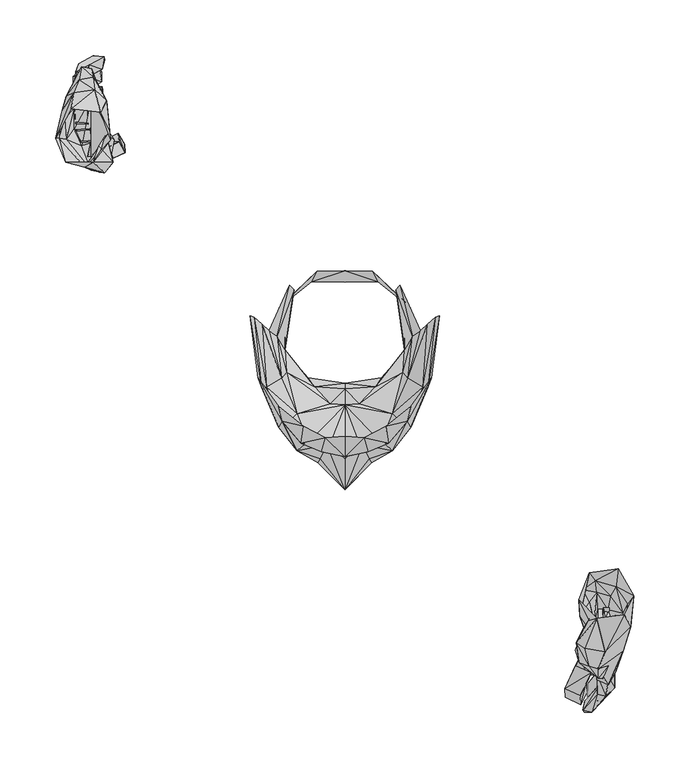
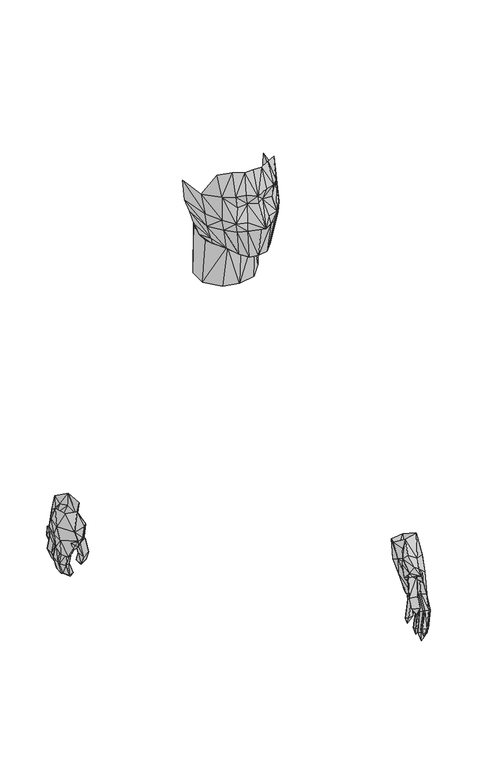
"""IFC4 building model written with IfcOpenShell, lengths in millimetres: geographic element geometry."""

from ifc_helpers import new_model, si_unit, origin, place, context, project, spatial, triangles, source, transform, mapped, element, save


def geographic_element_6947362e(model_context):
    return source(origin(), model_context, "Body", "Tessellation", [
        triangles([(-85.5266291, 13.3945381, 1685.5288033), (-75.2078776, -50.8993141, 1646.2374516), (-81.756247, 11.8070373, 1641.6730499), (-78.1844991, -42.1680656, 1685.1299904), (-17.6609246, -96.2421269, 1745.2568436), (-0.396875, -113.1095022, 1696.6412064), (-0.396875, -94.9523165, 1745.2568436), (-21.2327996, -108.9421239, 1703.7837936), (-39.6874985, -101.3023104, 1701.205608), (-37.5046239, -85.8243126, 1745.2568436), (-56.7532537, -81.2601835, 1695.0538033), (-59.9279963, -68.1631859, 1737.5174904), (-0.396875, -114.9944344, 1682.3537064), (-0.396875, -142.9743126, 1643.2605984), (-16.2718754, -102.2944374, 1679.3768532), (-22.2249992, -115.1930596, 1647.2307049), (-24.4078261, -118.7648165, 1631.1575581), (-0.396875, -126.5039335, 1636.1181564), (-36.3141261, -101.6993156, 1677.1950096), (-59.9279963, -86.7171269, 1649.0162064), (-43.2592463, -108.0493096, 1646.831892), (-40.0845037, -107.2555626, 1627.781892), (-57.3483754, -88.4039335, 1626.3950581), (-70.6437485, -50.8993141, 1617.2662548), (-0.396875, -116.2844991, 1567.6575096), (-18.6531254, -114.1016291, 1569.2450581), (-32.9407514, -100.3101835, 1572.4200096), (-43.2592463, -74.5131844, 1573.4106468), (-57.3483754, -42.564812, 1581.15), (-74.6125015, 5.6554625, 1618.256892), (-68.4608739, 0.0992188, 1591.668108), (-50.2046254, 40.5805626, 1594.2462936), (-46.2358724, 36.8101873, 1586.905608), (-61.3171239, -5.0601625, 1568.6481468), (-52.7842463, -37.4055634, 1565.4730499), (-13.4937496, -65.4845022, 1556.7432049), (-0.396875, -66.377312, 1555.9480499), (-58.7374985, -13.5929623, 1466.0549904), (-27.7812508, -50.5023135, 1557.1394016), (-33.3375, -42.1680656, 1465.6587936), (-54.1733739, -17.1648373, 1560.1162548), (-54.76875, 25.4993134, 1565.4730499), (-59.3328746, 20.7367135, 1467.0480984), (-25.4000008, 53.4789396, 1570.2355499), (-30.3608739, 43.7555641, 1466.2557049), (-0.396875, -47.4266246, 1464.0712452), (-0.396875, -52.089812, 1557.1394016), (-0.396875, 53.6773104, 1568.0537064), (-0.396875, 43.5569344, 1466.6519016), (84.7328731, 13.3945381, 1685.5288033), (74.4141261, -50.8993141, 1646.2374516), (81.1608709, 11.8070373, 1641.6730499), (77.3907522, -42.1680656, 1685.1299904), (16.8672004, -96.2421269, 1745.2568436), (20.4390754, -108.9421239, 1703.7837936), (38.8937515, -101.3023104, 1701.205608), (36.7108747, -85.8243126, 1745.2568436), (55.9595022, -81.2601835, 1695.0538033), (59.1345037, -68.1631859, 1737.5174904), (15.478125, -102.2944374, 1679.3768532), (21.43125, -115.1930596, 1647.2307049), (23.6140496, -118.7648165, 1631.1575581), (35.5203768, -101.6993156, 1677.1950096), (59.1345037, -86.7171269, 1649.0162064), (42.4657537, -108.0493096, 1646.831892), (39.2907522, -107.2555626, 1627.781892), (56.5546239, -88.4039335, 1626.3950581), (69.6516261, -50.8993141, 1617.2662548), (17.859375, -114.1016291, 1569.2450581), (32.1470022, -100.3101835, 1572.4200096), (42.4657537, -74.5131844, 1573.4106468), (56.5546239, -42.564812, 1581.15), (73.81875, 5.6554625, 1618.256892), (67.6671224, 0.0992188, 1591.668108), (49.2124985, 40.5805626, 1594.2462936), (60.5233724, -5.0601625, 1568.6481468), (45.6404963, 36.8101873, 1586.905608), (51.9907537, -37.4055634, 1565.4730499), (12.8984246, -65.4845022, 1556.7432049), (57.9437515, -13.5929623, 1466.0549904), (27.1858747, -50.5023135, 1557.1394016), (32.5437508, -42.1680656, 1465.6587936), (53.3796224, -17.1648373, 1560.1162548), (53.9749985, 25.4993134, 1565.4730499), (58.5391276, 20.7367135, 1467.0480984), (24.6062492, 53.4789396, 1570.2355499), (29.3687492, 43.7555641, 1466.2557049), (-246.2608769, 199.3305656, 929.878779), (-244.2766231, 213.9157582, 889.0000242), (-225.4249939, 216.3960574, 894.5549904), (-260.3500061, 172.9381904, 922.733721), (-254.5943617, 198.0404918, 883.8412548), (-257.175, 173.1368156, 880.8644016), (-251.4203731, 151.5069404, 920.5518774), (-234.3546269, 146.7444404, 876.6962694), (-226.814117, 151.5069404, 916.3837452), (-210.7407522, 171.3506783, 919.1625), (-211.7328791, 179.0898135, 888.2074854), (-220.0671269, 196.3539305, 927.496221), (-214.5108709, 206.6726865, 892.7693436), (-250.626617, 171.9460635, 849.7087452), (-228.6, 144.0657522, 856.6556322), (-252.0157582, 190.5993217, 852.2894016), (-250.626617, 210.8398195, 857.25), (-239.3157522, 225.3256904, 863.7981468), (-226.814117, 227.6078731, 867.1712694), (-220.0671269, 217.0904918, 865.583721), (-228.6, 209.6493217, 822.1268532), (-237.1328731, 237.1328731, 832.8431322), (-243.2842418, 222.5476805, 823.3181322), (-243.8796269, 200.3226926, 815.380608), (-243.8796269, 181.6694344, 810.4200096), (-228.004633, 235.2476865, 835.6193436), (-224.432867, 225.5243156, 826.2949854), (-226.814117, 169.5648135, 813.394392), (-237.1328731, 165.9930656, 810.2193678), (-208.7562439, 151.4078731, 883.2443436), (-216.098383, 141.8828731, 886.6200096), (-221.6546209, 165.5960695, 904.875), (-220.0671269, 142.1805656, 861.8144016), (-237.3312439, 155.2773135, 848.3193678), (-228.6, 144.7601865, 843.1605984), (-211.1374939, 152.4993217, 855.2662548), (-214.907867, 176.3118217, 875.306892), (-207.764117, 171.7476926, 851.296221), (-218.0828731, 156.8648074, 846.3356226), (-215.1062561, 182.2648195, 854.2731468), (-232.1720022, 154.8805717, 831.2556564), (-229.195367, 166.9851926, 839.9856468), (-227.6078731, 175.1210695, 838.3980984), (-209.1532582, 170.9539365, 846.9299904), (-218.0828731, 180.8756783, 846.1375242), (-239.7124939, 239.8118156, 815.1825096), (-226.814117, 246.9555656, 787.3999758), (-216.8921209, 246.1618096, 787.7962452), (-229.9891231, 239.0180596, 815.578779), (-218.6782582, 235.0493156, 785.8125), (-231.7750061, 227.7069404, 813.5924904), (-227.8062439, 235.6444283, 786.6075096), (-240.50625, 228.1039365, 814.1894016), (-244.673383, 228.5006783, 795.7337694), (-231.576617, 236.4381844, 765.1750242), (-221.2578791, 237.1328731, 765.769392), (-234.1562561, 228.8976926, 796.528779), (-218.8766291, 223.5398074, 761.6037306), (-231.9733769, 215.4039305, 792.3606468), (-230.1874939, 223.5398074, 762.0), (-243.2842418, 215.2055596, 792.7568436), (-216.098383, 197.7430717, 755.6500242), (-214.3125, 186.8289305, 755.4518532), (-229.195367, 189.6069404, 786.6075096), (-227.4095022, 178.6930717, 786.0105984), (-222.2500061, 185.8368217, 753.468108), (-235.148383, 177.5023195, 784.2250242), (-229.7907522, 196.1555596, 753.666279), (-242.8875, 187.8210574, 784.4231226), (-231.576617, 210.0460635, 789.581892), (-229.9891231, 219.5710635, 751.0856226), (-218.479633, 219.3726926, 754.4587452), (-243.0858709, 209.8476926, 786.2087694), (-229.5921269, 205.0851926, 748.3068678), (-242.6891291, 195.3618217, 783.4324854), (-218.0828731, 204.4898074, 750.6893532), (-231.1796209, 195.1631783, 786.2087694), (-242.292133, 232.6680656, 840.5824854), (-232.5687439, 232.0726805, 840.9787548), (-234.3546269, 220.9601865, 839.193108), (-243.482867, 221.2578791, 839.7874758), (-244.673383, 219.5710635, 828.675), (-234.1562561, 219.9680596, 829.0712694), (-231.9733769, 206.8710574, 825.3018774), (-243.2842418, 206.4743156, 825.4999758), (-229.195367, 180.6773074, 819.15), (-227.4095022, 169.7631844, 818.9519016), (-237.7282582, 168.7710574, 816.9681564), (-242.6891291, 179.2881844, 816.9681564), (-231.576617, 200.5210635, 824.905608), (-243.0858709, 200.3226926, 821.7306564), (-242.292133, 185.8368217, 818.9519016), (-231.1796209, 185.4398074, 821.1337452), (-215.8999939, 195.857867, 742.95), (-218.0828731, 216.3960574, 737.3924904), (-218.8766291, 232.0726805, 753.0693678), (-216.098383, 243.1851926, 777.280608), (-217.8845022, 170.4578731, 795.1394016), (-217.4875061, 163.8101865, 815.380608), (-212.526617, 161.0319404, 789.7799904), (-211.93125, 153.6898195, 809.4269016), (-198.4375061, 167.3819344, 792.1624758), (-198.0404918, 160.0398135, 812.2056564), (-204.192133, 177.5023195, 797.7199854), (-203.3983769, 169.9618096, 817.3643532), (-227.6078731, 158.4523195, 851.494392), (-221.6546209, 148.9273104, 846.1375242), (-207.9625061, 155.2773135, 848.5200096), (-213.3203731, 165.0006844, 854.0749758), (-207.5654918, 173.9305717, 780.6537306), (245.4671209, -213.6180656, 923.925), (243.482867, -229.8898195, 883.8412548), (224.6312561, -224.5319344, 886.6200096), (259.5575217, -237.9266291, 936.2287548), (253.8016231, -245.3680717, 890.3894016), (256.5806322, -265.805923, 905.0730984), (250.626617, -255.2903222, 948.928779), (233.5608709, -288.4297056, 919.3605984), (226.0203791, -258.069077, 945.9518532), (209.9467418, -241.7960695, 934.443108), (210.9391231, -256.280923, 906.4624758), (219.4717418, -217.1898135, 923.7269016), (213.717133, -232.767133, 890.9837694), (249.8328791, -287.6346778, 882.6499758), (227.6078731, -303.6087391, 906.6606468), (251.2220022, -272.155917, 872.1318678), (249.8328791, -253.5039305, 862.4087694), (238.720367, -238.6210635, 857.4480984), (226.0203791, -234.7516231, 858.6393774), (219.4717418, -243.5819344, 864.1943436), (227.6078731, -278.1096778, 837.008721), (236.339117, -250.626617, 826.8893532), (242.4907582, -267.393417, 829.2693678), (243.0858709, -289.4203065, 838.3980984), (243.0858709, -306.2884266, 846.9299904), (227.0125061, -249.6345082, 830.2624758), (223.6391291, -263.0296935, 829.2693678), (226.0203791, -313.4309049, 857.0519016), (236.339117, -317.9953065, 857.4480984), (207.764117, -280.093423, 921.5449854), (215.3046269, -285.056583, 929.878779), (221.0595082, -255.2903222, 927.694392), (219.4717418, -301.4268774, 911.8193436), (236.5375061, -300.730917, 892.9699854), (227.6078731, -312.0440709, 895.9443678), (210.3437561, -298.1528222, 899.9144016), (214.1141291, -266.9971839, 898.7231226), (206.7720082, -286.7431443, 884.0393532), (217.289117, -300.931577, 890.1912306), (214.3125, -277.119077, 879.0787548), (231.3779918, -312.440304, 880.4681322), (228.2032582, -297.5559109, 878.8806564), (226.6154918, -292.5952944, 872.530608), (208.1608769, -289.9181322, 881.2605984), (217.289117, -283.2684109, 874.1181564), (238.9187561, -260.1518713, 811.8068436), (225.8220082, -274.3403222, 784.0268532), (215.8999939, -274.9346718, 784.4231226), (229.195367, -260.6471718, 812.8000242), (217.8845022, -284.5587391, 790.575), (230.98125, -270.1721718, 818.3549904), (226.6154918, -283.5681383, 790.575), (239.910883, -269.3797056, 818.5556322), (243.8796269, -283.0702944, 802.0837452), (230.7828791, -297.1596778, 774.1056564), (220.4641231, -296.5653282, 774.5018532), (233.3625, -282.2778282, 802.0837452), (218.2812439, -309.2653161, 780.4556322), (231.1796209, -294.7796996, 808.2356226), (229.3937561, -308.9681322, 781.05), (242.4907582, -294.9778161, 808.631892), (228.4016291, -318.1934049, 821.3318436), (215.3046269, -332.4809049, 793.3537548), (213.5187439, -340.6190709, 800.4962694), (226.6154918, -326.3315709, 828.675), (221.45625, -342.6028161, 799.7037306), (234.3546269, -328.3153161, 828.0806322), (228.9967418, -334.8634266, 792.7568436), (242.0937439, -320.4768774, 820.5393774), (230.7828791, -300.931577, 810.0212694), (229.195367, -319.3846839, 775.294392), (217.8845022, -317.0047056, 777.6768774), (242.292133, -302.9153222, 808.0375242), (228.6, -332.0846718, 782.8356468), (241.8953731, -315.6153282, 815.380608), (217.4875061, -330.6952944, 785.0174904), (230.385883, -314.1268653, 817.1662548), (241.8953731, -248.3444344, 835.4212452), (231.7750061, -248.6421269, 836.0181564), (233.5608709, -258.1681443, 842.1674904), (242.6891291, -257.2740674, 842.1674904), (243.8796269, -266.2046996, 835.0249758), (233.3625, -265.5087391, 835.0249758), (231.1796209, -277.9115613, 841.1768532), (242.4907582, -278.1096778, 841.5731226), (228.2032582, -301.3278282, 854.0749758), (226.4171209, -309.8596839, 861.4181322), (236.9345022, -311.8434291, 860.4250242), (242.0937439, -303.6087391, 853.678779), (230.7828791, -282.6740613, 845.1443436), (242.292133, -285.056583, 842.7644016), (241.8953731, -297.9547056, 850.3056564), (230.385883, -296.169077, 852.4875), (215.1062561, -342.7018653, 785.2181322), (217.4875061, -330.497196, 767.3568678), (218.2812439, -308.6684049, 768.5481468), (215.1062561, -284.2615552, 778.8681564), (216.69375, -316.8065709, 862.8075096), (211.7328791, -335.8565709, 845.1443436), (217.289117, -324.8431443, 842.9625), (211.1374939, -327.919083, 865.1875242), (197.64375, -329.305917, 843.1605984), (197.2470082, -321.3684291, 863.005608), (203.3983769, -318.394083, 840.1837452), (202.8029918, -310.6546935, 860.0287548), (226.6154918, -296.2681443, 893.1681564), (221.0595082, -307.0809291, 895.35), (206.9703791, -300.730917, 893.1681564), (212.526617, -289.618423, 890.3894016), (206.7720082, -332.1837573, 829.866279)], [[1, 2, 3], [1, 4, 2], [5, 6, 7], [5, 8, 6], [5, 9, 8], [10, 9, 5], [11, 9, 10], [10, 12, 11], [4, 11, 12], [13, 14, 15], [15, 14, 16], [16, 14, 17], [18, 17, 14], [6, 13, 15], [8, 15, 6], [8, 9, 15], [9, 19, 15], [4, 20, 2], [4, 20, 11], [11, 19, 9], [11, 20, 21], [11, 21, 19], [15, 19, 21], [15, 16, 21], [16, 17, 21], [21, 17, 22], [23, 21, 22], [20, 23, 21], [24, 23, 20], [2, 20, 24], [18, 25, 17], [17, 25, 26], [17, 26, 22], [27, 22, 26], [23, 22, 27], [28, 23, 27], [24, 23, 28], [29, 24, 28], [3, 2, 24], [3, 24, 30], [30, 24, 29], [30, 29, 31], [32, 33, 34], [32, 34, 31], [31, 34, 29], [34, 35, 29], [35, 28, 29], [36, 28, 35], [28, 36, 37], [37, 28, 27], [37, 27, 26], [37, 26, 25], [38, 39, 40], [38, 41, 39], [42, 41, 38], [42, 38, 43], [44, 42, 43], [44, 43, 45], [39, 46, 47], [39, 46, 40], [44, 45, 48], [48, 45, 49], [33, 41, 42], [33, 41, 34], [34, 41, 35], [39, 41, 35], [36, 39, 35], [47, 36, 39], [37, 36, 47], [50, 51, 52], [50, 53, 51], [7, 6, 54], [54, 6, 55], [54, 55, 56], [54, 56, 57], [58, 57, 56], [57, 58, 59], [53, 59, 58], [13, 60, 14], [60, 61, 14], [61, 62, 14], [62, 18, 14], [6, 60, 13], [55, 6, 60], [55, 60, 56], [56, 60, 63], [53, 64, 51], [53, 58, 64], [58, 56, 63], [58, 65, 64], [58, 63, 65], [60, 65, 63], [60, 65, 61], [61, 65, 62], [65, 66, 62], [67, 66, 65], [64, 65, 67], [68, 64, 67], [51, 64, 68], [18, 62, 25], [62, 69, 25], [62, 66, 69], [70, 69, 66], [67, 70, 66], [71, 70, 67], [68, 71, 67], [72, 71, 68], [52, 51, 68], [52, 68, 73], [73, 72, 68], [73, 74, 72], [75, 76, 77], [75, 74, 76], [74, 72, 76], [76, 72, 78], [78, 72, 71], [78, 71, 79], [71, 37, 79], [71, 37, 70], [70, 37, 69], [69, 37, 25], [80, 81, 82], [80, 83, 81], [84, 83, 80], [84, 80, 85], [86, 84, 85], [86, 85, 87], [47, 46, 81], [81, 46, 82], [86, 87, 48], [48, 49, 87], [77, 83, 84], [76, 83, 77], [76, 78, 83], [83, 78, 81], [78, 79, 81], [81, 79, 47], [79, 37, 47], [88, 89, 90], [89, 91, 92], [89, 88, 91], [92, 91, 93], [94, 95, 96], [97, 96, 95], [98, 97, 95], [99, 97, 98], [100, 99, 98], [99, 100, 90], [101, 95, 102], [93, 95, 101], [103, 93, 101], [92, 93, 103], [104, 92, 103], [89, 92, 104], [105, 89, 104], [90, 105, 106], [90, 89, 105], [90, 106, 100], [106, 107, 100], [88, 90, 99], [98, 95, 102], [107, 98, 100], [107, 108, 98], [108, 102, 98], [109, 105, 104], [109, 104, 110], [110, 104, 111], [104, 103, 111], [111, 103, 101], [111, 101, 112], [106, 105, 109], [106, 109, 113], [106, 114, 107], [113, 114, 106], [114, 108, 107], [108, 115, 102], [102, 115, 116], [112, 101, 116], [101, 102, 116], [113, 108, 114], [113, 109, 108], [108, 109, 110], [108, 110, 111], [108, 111, 112], [108, 112, 116], [115, 108, 116], [96, 117, 118], [119, 117, 96], [96, 118, 95], [95, 120, 102], [118, 120, 95], [121, 102, 122], [120, 122, 102], [117, 120, 118], [123, 120, 117], [124, 117, 119], [124, 123, 125], [124, 123, 117], [120, 123, 122], [123, 126, 122], [127, 124, 125], [121, 122, 128], [126, 128, 122], [129, 128, 126], [130, 128, 129], [125, 126, 131], [127, 131, 132], [131, 129, 132], [131, 126, 129], [132, 130, 129], [93, 91, 94], [93, 94, 95], [133, 134, 135], [136, 133, 135], [135, 137, 136], [136, 137, 138], [138, 137, 139], [140, 138, 139], [134, 140, 139], [134, 133, 140], [141, 142, 143], [144, 141, 143], [143, 145, 144], [144, 145, 146], [146, 145, 147], [148, 146, 147], [142, 148, 147], [142, 141, 148], [149, 150, 151], [151, 150, 152], [152, 150, 153], [152, 153, 154], [155, 154, 153], [155, 156, 154], [156, 155, 149], [151, 156, 149], [157, 158, 159], [157, 160, 158], [158, 160, 161], [160, 162, 161], [162, 163, 161], [164, 163, 162], [159, 163, 164], [159, 164, 157], [165, 133, 136], [166, 165, 136], [136, 138, 166], [166, 138, 167], [167, 138, 140], [168, 167, 140], [133, 168, 140], [133, 165, 168], [169, 141, 144], [170, 169, 144], [144, 146, 170], [170, 146, 171], [171, 146, 148], [172, 171, 148], [141, 172, 148], [141, 169, 172], [151, 152, 173], [173, 152, 174], [174, 152, 154], [174, 154, 175], [156, 175, 154], [156, 176, 175], [176, 156, 151], [173, 176, 151], [177, 160, 157], [177, 178, 160], [160, 178, 162], [178, 179, 162], [179, 164, 162], [180, 164, 179], [157, 164, 180], [157, 180, 177], [150, 181, 153], [181, 155, 153], [149, 181, 150], [149, 155, 181], [163, 182, 161], [159, 182, 163], [159, 158, 182], [158, 161, 182], [147, 145, 183], [143, 183, 145], [143, 142, 183], [183, 142, 147], [139, 137, 184], [135, 184, 137], [135, 134, 184], [184, 134, 139], [185, 186, 187], [186, 188, 187], [188, 189, 187], [190, 189, 188], [191, 189, 190], [191, 190, 192], [192, 185, 191], [192, 186, 185], [186, 193, 188], [193, 194, 188], [194, 190, 188], [195, 190, 194], [192, 190, 195], [192, 195, 196], [196, 186, 192], [196, 193, 186], [191, 197, 189], [191, 185, 197], [197, 185, 187], [189, 197, 187], [198, 199, 200], [199, 201, 202], [198, 201, 199], [201, 203, 202], [204, 205, 206], [207, 206, 205], [207, 205, 208], [209, 207, 208], [209, 208, 210], [209, 210, 200], [211, 205, 212], [203, 205, 211], [203, 211, 213], [202, 203, 213], [202, 213, 214], [199, 202, 214], [199, 214, 215], [200, 215, 216], [200, 199, 215], [210, 200, 216], [210, 216, 217], [198, 200, 209], [208, 205, 212], [210, 217, 208], [217, 218, 208], [208, 218, 212], [215, 214, 219], [219, 214, 220], [214, 221, 220], [214, 213, 221], [213, 211, 221], [211, 222, 221], [216, 215, 219], [216, 219, 223], [216, 224, 217], [216, 223, 224], [217, 224, 218], [218, 225, 212], [212, 225, 226], [211, 226, 222], [211, 212, 226], [223, 218, 224], [219, 218, 223], [220, 218, 219], [221, 218, 220], [222, 218, 221], [222, 226, 218], [226, 225, 218], [206, 227, 228], [229, 227, 206], [205, 206, 228], [205, 230, 212], [228, 230, 205], [231, 212, 232], [230, 232, 212], [227, 230, 228], [227, 233, 230], [229, 234, 227], [234, 233, 235], [234, 233, 227], [230, 233, 232], [233, 236, 232], [234, 235, 237], [231, 232, 238], [232, 236, 238], [238, 236, 239], [240, 238, 239], [235, 236, 241], [237, 241, 242], [239, 242, 241], [236, 239, 241], [242, 240, 239], [201, 204, 203], [204, 205, 203], [243, 244, 245], [246, 243, 245], [246, 245, 247], [246, 247, 248], [248, 247, 249], [250, 248, 249], [250, 249, 244], [243, 250, 244], [251, 252, 253], [251, 253, 254], [254, 253, 255], [254, 255, 256], [256, 255, 257], [258, 256, 257], [258, 257, 252], [251, 258, 252], [259, 260, 261], [259, 261, 262], [262, 261, 263], [262, 263, 264], [264, 263, 265], [266, 264, 265], [266, 265, 260], [259, 266, 260], [267, 268, 269], [267, 270, 268], [270, 271, 268], [270, 272, 271], [272, 273, 271], [274, 273, 272], [274, 269, 273], [267, 269, 274], [275, 243, 246], [276, 275, 246], [276, 246, 248], [276, 248, 277], [277, 248, 250], [277, 250, 278], [278, 250, 243], [275, 278, 243], [279, 251, 254], [279, 254, 280], [280, 254, 256], [280, 256, 281], [281, 256, 258], [282, 281, 258], [282, 258, 251], [279, 282, 251], [283, 259, 262], [283, 262, 284], [284, 262, 264], [284, 264, 285], [285, 264, 266], [286, 285, 266], [286, 266, 259], [283, 286, 259], [287, 270, 267], [287, 288, 270], [288, 272, 270], [288, 289, 272], [289, 274, 272], [290, 274, 289], [290, 267, 274], [287, 267, 290], [261, 291, 263], [263, 291, 265], [260, 291, 261], [265, 291, 260], [273, 292, 271], [269, 292, 273], [268, 292, 269], [268, 271, 292], [257, 255, 293], [253, 293, 255], [252, 293, 253], [252, 257, 293], [247, 294, 249], [245, 294, 247], [244, 294, 245], [244, 249, 294], [295, 296, 297], [295, 298, 296], [298, 299, 296], [298, 300, 299], [301, 299, 300], [302, 301, 300], [302, 297, 301], [295, 297, 302], [303, 298, 295], [303, 304, 298], [304, 300, 298], [304, 305, 300], [305, 302, 300], [306, 302, 305], [306, 295, 302], [303, 295, 306], [301, 307, 299], [297, 307, 301], [297, 296, 307], [296, 299, 307]], closed=False),
    ])


if __name__ == "__main__":
    model = new_model("IFC4")
    model_context = context("Model", 3, world=origin())
    ifc_project = project(units=[si_unit("LENGTHUNIT", "METRE", prefix="MILLI")], contexts=[model_context])
    site = spatial("IfcSite", under=ifc_project)
    building = spatial("IfcBuilding", under=site)
    placement = place(None, origin())
    geographic_element_shape = geographic_element_6947362e(model_context)
    element("IfcGeographicElement", 1, at=placement, inside=building, context=model_context, shape_type="MappedRepresentation", body=[
        mapped(geographic_element_shape, transform((0.0, 0.0, 0.0), x_axis=(1.0, 0.0, 0.0), y_axis=(0.0, 1.0, 0.0), z_axis=(0.0, 0.0, 1.0))),
    ])
    save(model, "model.ifc")
